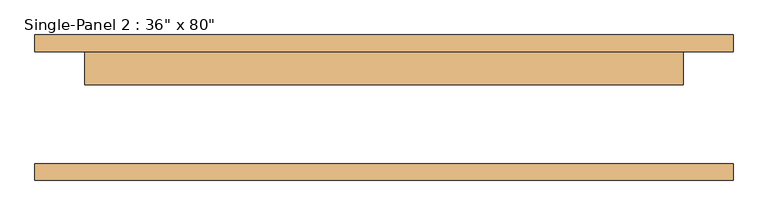
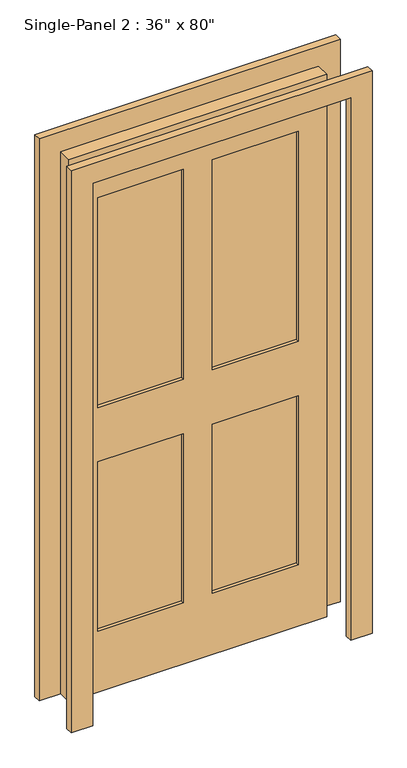
"""IFC4 building model written with IfcOpenShell, lengths in millimetres: door geometry."""

from ifc_helpers import new_model, si_unit, frame, origin, place, context, project, spatial, polyline, outline, extrude, source, transform, mapped, element, save


def door_ce0676f2(model_context):
    return source(origin(), model_context, "Body", "SweptSolid", [
        extrude(outline(polyline([(-50.9240165, 47.625), (-355.0511799, 47.625), (-355.0511799, 73.025), (-50.9240165, 73.025), (-50.9240165, 47.625)])), frame((0.0, 0.0, 1068.1906173), z_axis=(0.0, 0.0, 1.0), x_axis=(1.0, 0.0, 0.0)), (0.0, 0.0, 1.0), 787.6046757),
        extrude(outline(polyline([(356.1488201, 47.625), (50.6759835, 47.625), (50.6759835, 73.025), (356.1488201, 73.025), (356.1488201, 47.625)])), frame((0.0, 0.0, 1068.1906173), z_axis=(0.0, 0.0, 1.0), x_axis=(1.0, 0.0, 0.0)), (0.0, 0.0, 1.0), 787.6046757),
        extrude(outline(polyline([(-50.9240165, 47.625), (-355.0511799, 47.625), (-355.0511799, 73.025), (-50.9240165, 73.025), (-50.9240165, 47.625)])), frame((0.0, 0.0, 230.195293), z_axis=(0.0, 0.0, 1.0), x_axis=(1.0, 0.0, 0.0)), (0.0, 0.0, 1.0), 635.0),
        extrude(outline(polyline([(356.1488201, 47.625), (50.6759835, 47.625), (50.6759835, 73.025), (356.1488201, 73.025), (356.1488201, 47.625)])), frame((0.0, 0.0, 230.195293), z_axis=(0.0, 0.0, 1.0), x_axis=(1.0, 0.0, 0.0)), (0.0, 0.0, 1.0), 634.7953243),
        extrude(outline(polyline([(2108.2, -533.4), (1.3906173, -533.4), (1.3906173, -457.3240165), (2033.3906173, -457.3240165), (2033.3906173, 457.0759835), (1.3906173, 457.0759835), (0.0, 533.4), (2108.2, 533.4), (2108.2, -533.4)])), frame((0.0, 85.725, 0.0), z_axis=(0.0, 1.0, 0.0), x_axis=(0.0, 0.0, 1.0)), (0.0, 0.0, 1.0), 25.4),
        extrude(outline(polyline([(2108.2, 533.4), (2108.2, -533.4), (1.3906173, -533.4), (1.3906173, -457.3240165), (2033.3906173, -457.3240165), (2033.3906173, 457.0759835), (1.3906173, 457.0759835), (0.0, 533.4), (2108.2, 533.4)])), frame((0.0, -111.125, 0.0), z_axis=(0.0, 1.0, 0.0), x_axis=(0.0, 0.0, 1.0)), (0.0, 0.0, 1.0), 25.4),
        extrude(outline(polyline([(2033.3906173, 457.0759835), (2033.3906173, -457.3240165), (1.3906173, -457.3240165), (1.3906173, 457.0759835), (2033.3906173, 457.0759835)]), holes=[polyline([(1855.795293, -50.9240165), (1068.1906173, -50.9240165), (1068.1906173, -355.0511799), (1855.795293, -355.0511799), (1855.795293, -50.9240165)]), polyline([(1855.795293, 356.1488201), (1068.1906173, 356.1488201), (1068.1906173, 50.6759835), (1855.795293, 50.6759835), (1855.795293, 356.1488201)]), polyline([(865.195293, -50.9240165), (230.195293, -50.9240165), (230.195293, -355.0511799), (865.195293, -355.0511799), (865.195293, -50.9240165)]), polyline([(864.9906173, 356.1488201), (230.195293, 356.1488201), (230.195293, 50.6759835), (864.9906173, 50.6759835), (864.9906173, 356.1488201)])]), frame((0.0, 34.925, 0.0), z_axis=(0.0, 1.0, 0.0), x_axis=(0.0, 0.0, 1.0)), (0.0, 0.0, 1.0), 50.8),
    ])


if __name__ == "__main__":
    model = new_model("IFC4")
    model_context = context("Model", 3, world=origin())
    ifc_project = project(units=[si_unit("LENGTHUNIT", "METRE", prefix="MILLI")], contexts=[model_context])
    site = spatial("IfcSite", under=ifc_project)
    building = spatial("IfcBuilding", under=site)
    placement = place(None, origin())
    door_shape = door_ce0676f2(model_context)
    element("IfcDoor", 1, ObjectType="Single-Panel 2 : 36\" x 80\"", at=placement, inside=building, context=model_context, shape_type="MappedRepresentation", body=[
        mapped(door_shape, transform((0.0, 0.0, 0.0), x_axis=(1.0, 0.0, 0.0), y_axis=(0.0, 1.0, 0.0), z_axis=(0.0, 0.0, 1.0))),
    ])
    save(model, "model.ifc")
